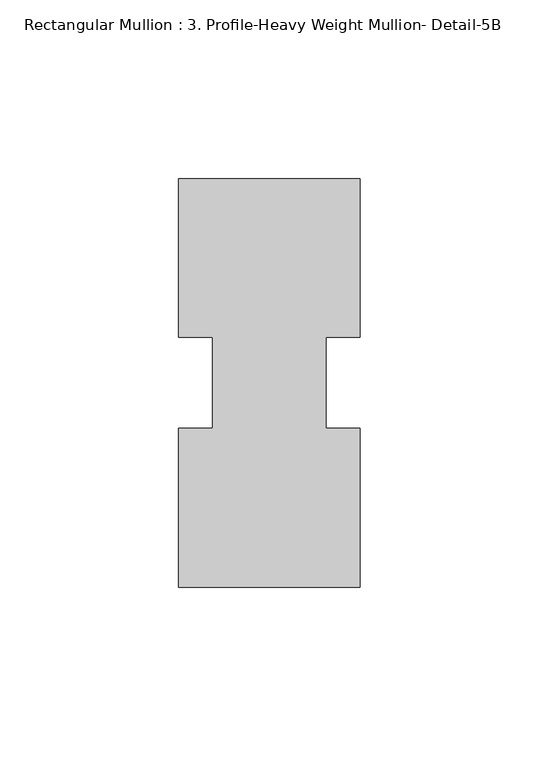
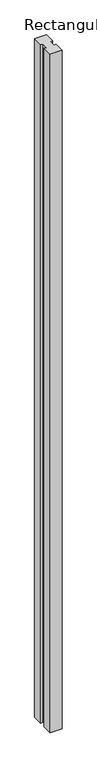
"""IFC4 building model written with IfcOpenShell, lengths in millimetres: member geometry, Rectangular Mullion : 3. Profile-Heavy Weight Mullion- Detail-5B."""

from ifc_helpers import new_model, si_unit, frame, origin, place, context, project, spatial, polyline, outline, extrude, source, transform, mapped, element, save


def rectangular_mullion_3_profile_heavy_weight_mullion_detail_5b_e9fbe578(model_context):
    return source(origin(), model_context, "Body", "SweptSolid", [
        extrude(outline(polyline([(25.4, 33.3375317), (25.4, -11.0186583), (15.875, -11.0186583), (15.875, -36.5063567), (25.4, -36.5063567), (25.4, -80.9624683), (-25.4, -80.9623667), (-25.4, -36.5063567), (-15.875, -36.5063567), (-15.875, -11.0186583), (-25.4, -11.0186583), (-25.4, 33.3376333), (25.4, 33.3375317)])), frame((0.0, 0.0, -3048.0), z_axis=(0.0, 0.0, 1.0), x_axis=(1.0, 0.0, 0.0)), (0.0, 0.0, 1.0), 3048.0),
    ])


if __name__ == "__main__":
    model = new_model("IFC4")
    model_context = context("Model", 3, world=origin())
    ifc_project = project(units=[si_unit("LENGTHUNIT", "METRE", prefix="MILLI")], contexts=[model_context])
    site = spatial("IfcSite", under=ifc_project)
    building = spatial("IfcBuilding", under=site)
    placement = place(None, origin())
    rectangular_mullion_3_profile_heavy_weight_mullion_detail_5b_shape = rectangular_mullion_3_profile_heavy_weight_mullion_detail_5b_e9fbe578(model_context)
    element("IfcMember", 1, ObjectType="Rectangular Mullion : 3. Profile-Heavy Weight Mullion- Detail-5B", at=placement, inside=building, context=model_context, shape_type="MappedRepresentation", body=[
        mapped(rectangular_mullion_3_profile_heavy_weight_mullion_detail_5b_shape, transform((0.0, 0.0, 0.0), x_axis=(1.0, 0.0, 0.0), y_axis=(0.0, 1.0, 0.0), z_axis=(0.0, 0.0, 1.0))),
    ])
    save(model, "model.ifc")
